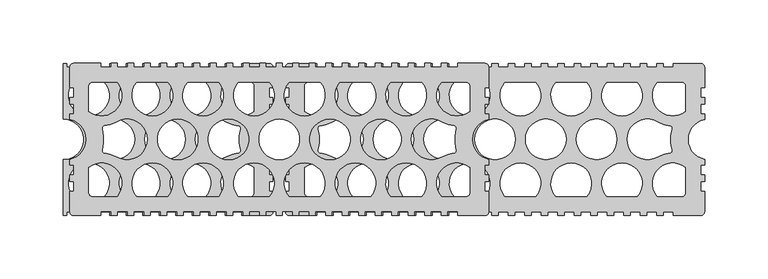
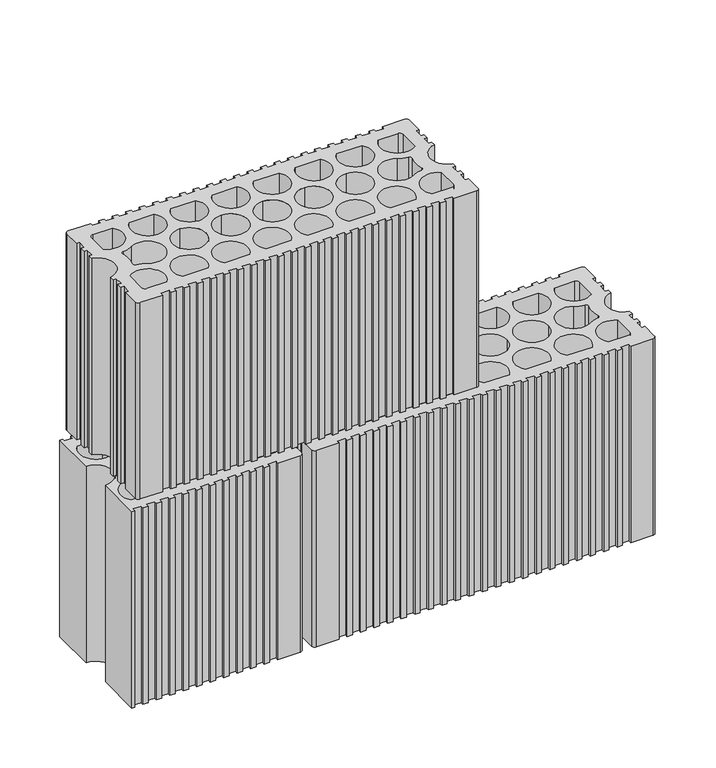
"""IFC4 building model written with IfcOpenShell, lengths in millimetres: plate geometry."""

from ifc_helpers import new_model, si_unit, point, frame, frame_2d, origin, origin_with_axes, place, context, project, spatial, polyline, circle_curve, trimmed, segment, composite_curve, outline, extrude, source, transform, mapped, element, save


def plate_2a6fec16(model_context):
    return source(origin(), model_context, "Body", "SweptSolid", [
        extrude(outline(composite_curve([segment(trimmed(circle_curve(frame_2d((-247.0615519, -57.0619101)), 2.9386225), [point((-246.9996319, -59.9998801))], [point((-249.9995197, -56.9998849))], False, "CARTESIAN"), True, "CONTINUOUS"), segment(polyline([(-249.9995197, -56.9998849), (-249.9995197, -40.9999191), (-246.9995048, -40.9999191), (-246.9995048, -32.999934), (-249.9995197, -32.999934), (-249.9995197, -28.0000909), (-246.9995048, -28.0000909), (-246.9995048, -19.9999618), (-249.9995197, -19.9999618), (-249.9995197, -15.7162058)]), True, "CONTINUOUS"), segment(trimmed(circle_curve(frame_2d((-252.9995021, 0.0)), 15.9999693), [point((-249.9995197, -15.7162058))], [point((-249.9995197, 15.7162058))], True, "CARTESIAN"), True, "CONTINUOUS"), segment(polyline([(-249.9995197, 15.7162058), (-249.9995197, 19.9999565), (-246.9995048, 19.9999565), (-246.9995048, 27.9999416), (-249.9995197, 27.9999416), (-249.9995197, 32.9999342), (-246.9995048, 32.9999342), (-246.9995048, 40.9999193), (-249.9995197, 40.9999193), (-249.9995197, 56.9998822)]), True, "CONTINUOUS"), segment(trimmed(circle_curve(frame_2d((-247.0615519, 57.0619074)), 2.9386225), [point((-249.9995197, 56.9998822))], [point((-246.9995048, 59.9998747))], False, "CARTESIAN"), True, "CONTINUOUS"), segment(polyline([(-246.9995048, 59.9998747), (-225.4995567, 59.9998747), (-225.4995567, 56.9998862), (-217.4995734, 56.9998862), (-217.4995734, 59.9998801), (-212.4995808, 59.9998801), (-212.4995808, 56.9998862), (-204.4995994, 56.9998862), (-204.4995994, 59.9998801), (-199.4996068, 59.9998801), (-199.4996068, 56.9998862), (-191.4996254, 56.9998862), (-191.4996254, 59.9998801), (-186.4996328, 59.9998801), (-186.4996328, 56.9998862), (-178.4996477, 56.9998862), (-178.4996477, 59.9998801), (-173.4996625, 59.9998801), (-173.4996625, 56.9998862), (-165.4996774, 56.9998862), (-165.4996774, 59.9998801), (-160.4996848, 59.9998801), (-160.4996848, 56.9998862), (-152.4997071, 56.9998862), (-152.4997071, 59.9998801), (-147.4997145, 59.9998801), (-147.4997145, 56.9998862), (-139.4997294, 56.9998862), (-139.4997294, 59.9998801), (-134.4997368, 59.9998801), (-134.4997368, 56.9998862), (-126.4997591, 56.9998862), (-126.4997591, 59.9998801), (-121.4997665, 59.9998801), (-121.4997665, 56.9998862), (-113.4997814, 56.9998862), (-113.4997814, 59.9998801), (-108.4997962, 59.9998801), (-108.4997962, 56.9998862), (-100.4998111, 56.9998862), (-100.4998111, 59.9998801), (-95.4998259, 59.9998801), (-95.4998259, 56.9998862), (-87.4998408, 56.9998862), (-87.4998408, 59.9998801), (-82.4998408, 59.9998801), (-82.4998408, 56.9998862), (-74.4998556, 56.9998862), (-74.4998556, 59.9998801), (-69.4998705, 59.9998801), (-69.4998705, 56.9998862), (-61.4998853, 56.9998862), (-61.4998853, 59.9998801), (-56.4999002, 59.9998801), (-56.4999002, 56.9998862), (-48.4999151, 56.9998862), (-48.4999151, 59.9998801), (-43.4999299, 59.9998801), (-43.4999299, 56.9998862), (-35.4999448, 56.9998862), (-35.4999448, 59.9998801), (-30.4999447, 59.9998801), (-30.4999447, 56.9998862), (-22.4999596, 56.9998862), (-22.4999596, 59.9998801), (-17.4999745, 59.9998801), (-17.4999745, 56.9998862), (-9.4999893, 56.9998862), (-9.4999893, 59.9998801), (-4.5000042, 59.9998801), (-4.5000042, 56.9998862), (3.4999959, 56.9998862), (3.4999959, 59.9998801), (8.499981, 59.9998801), (8.499981, 56.9998862), (16.4999512, 56.9998862), (16.4999512, 59.9998801), (21.4999364, 59.9998801), (21.4999364, 56.9998862), (29.4999364, 56.9998862), (29.4999364, 59.9998801), (34.4999216, 59.9998801), (34.4999216, 56.9998862), (42.4998918, 56.9998862), (42.4998918, 59.9998801), (47.4999067, 59.9998801), (47.4999067, 56.9998862), (55.499877, 56.9998862), (55.499877, 59.9998747), (76.999825, 59.9998747)]), True, "CONTINUOUS"), segment(trimmed(circle_curve(frame_2d((77.0618721, 57.0619074)), 2.9386225), [point((76.999825, 59.9998747))], [point((79.9998399, 56.9998822))], False, "CARTESIAN"), True, "CONTINUOUS"), segment(polyline([(79.9998399, 56.9998822), (79.9998399, 40.9999193), (76.999825, 40.9999193), (76.999825, 32.9999342), (79.9998399, 32.9999342), (79.9998399, 27.9999416), (76.999825, 27.9999416), (76.999825, 19.9999565), (79.9998399, 19.9999565), (79.9998399, 15.7162058)]), True, "CONTINUOUS"), segment(trimmed(circle_curve(frame_2d((82.9998224, 0.0)), 15.9999693), [point((79.9998399, 15.7162058))], [point((79.9998399, -15.7162058))], True, "CARTESIAN"), True, "CONTINUOUS"), segment(polyline([(79.9998399, -15.7162058), (79.9998399, -19.9999618), (76.999825, -19.9999618), (76.999825, -27.9999433), (79.9998399, -27.9999433), (79.9998399, -32.999934), (76.999825, -32.999934), (76.999825, -40.9999191), (79.9998399, -40.9999191), (79.9998399, -56.9998849)]), True, "CONTINUOUS"), segment(trimmed(circle_curve(frame_2d((77.0618721, -57.0619101)), 2.9386225), [point((79.9998399, -56.9998849))], [point((76.9999521, -59.9998801))], False, "CARTESIAN"), True, "CONTINUOUS"), segment(polyline([(76.9999521, -59.9998801), (55.499877, -59.9998801), (55.499877, -56.9998862), (47.4999067, -56.9998862), (47.4999067, -59.9998801), (42.4998918, -59.9998801), (42.4998918, -56.9998862), (34.4999216, -56.9998862), (34.4999216, -59.9998801), (29.4999364, -59.9998801), (29.4999364, -56.9998862), (21.4999364, -56.9998862), (21.4999364, -59.9998801), (16.4999512, -59.9998801), (16.4999512, -56.9998862), (8.499981, -56.9998862), (8.499981, -59.9998801), (3.4999959, -59.9998801), (3.4999959, -56.9998862), (-4.5000042, -56.9998862), (-4.5000042, -59.9998801), (-9.4999893, -59.9998801), (-9.4999893, -56.9998862), (-17.4999745, -56.9998862), (-17.4999745, -59.9998801), (-22.4999596, -59.9998801), (-22.4999596, -56.9998862), (-30.4999447, -56.9998862), (-30.4999447, -59.9998801), (-35.4999448, -59.9998801), (-35.4999448, -56.9998862), (-43.4999299, -56.9998862), (-43.4999299, -59.9998801), (-48.4999151, -59.9998801), (-48.4999151, -56.9998862), (-56.4999002, -56.9998862), (-56.4999002, -59.9998801), (-61.4998853, -59.9998801), (-61.4998853, -56.9998862), (-69.4998705, -56.9998862), (-69.4998705, -59.9998801), (-74.4998556, -59.9998801), (-74.4998556, -56.9998862), (-82.4998408, -56.9998862), (-82.4998408, -59.9998801), (-87.4998408, -59.9998801), (-87.4998408, -56.9998862), (-95.4998259, -56.9998862), (-95.4998259, -59.9998801), (-100.4998111, -59.9998801), (-100.4998111, -56.9998862), (-108.4997962, -56.9998862), (-108.4997962, -59.9998801), (-113.4997814, -59.9998801), (-113.4997814, -56.9998862), (-121.4997665, -56.9998862), (-121.4997665, -59.9998801), (-126.4997591, -59.9998801), (-126.4997591, -56.9998862), (-134.4997368, -56.9998862), (-134.4997368, -59.9998801), (-139.4997294, -59.9998801), (-139.4997294, -56.9998862), (-147.4997145, -56.9998862), (-147.4997145, -59.9998801), (-152.4997071, -59.9998801), (-152.4997071, -56.9998862), (-160.4996848, -56.9998862), (-160.4996848, -59.9998801), (-165.4996774, -59.9998801), (-165.4996774, -56.9998862), (-173.4996625, -56.9998862), (-173.4996625, -59.9998801), (-178.4996477, -59.9998801), (-178.4996477, -56.9998862), (-186.4996328, -56.9998862), (-186.4996328, -59.9998801), (-191.4996254, -59.9998801), (-191.4996254, -56.9998862), (-199.4996068, -56.9998862), (-199.4996068, -59.9998801), (-204.4995994, -59.9998801), (-204.4995994, -56.9998862), (-212.4995808, -56.9998862), (-212.4995808, -59.9998801), (-217.4995734, -59.9998801), (-217.4995734, -56.9998862), (-225.4995567, -56.9998862), (-225.4995567, -59.9998801), (-246.9996319, -59.9998801)]), True, "CONTINUOUS")], self_intersect=False), holes=[composite_curve([segment(trimmed(circle_curve(frame_2d((-222.2301823, -8.7889102)), 1.999996), [point((-224.1532647, -8.2396034))], [point((-222.4432111, -10.7775285))], True, "CARTESIAN"), True, "CONTINUOUS"), segment(trimmed(circle_curve(frame_2d((-224.9995571, -34.6409475)), 23.9999515), [point((-222.4432111, -10.7775285))], [point((-212.9995813, -13.8563798))], False, "CARTESIAN"), True, "CONTINUOUS"), segment(trimmed(circle_curve(frame_2d((-204.9995975, -1.4e-06)), 15.9999677), [point((-212.9995813, -13.8563798))], [point((-212.9995813, 13.8563771))], True, "CARTESIAN"), True, "CONTINUOUS"), segment(trimmed(circle_curve(frame_2d((-224.9995571, 34.6409448)), 23.9999515), [point((-212.9995813, 13.8563771))], [point((-222.4432111, 10.7775258))], False, "CARTESIAN"), True, "CONTINUOUS"), segment(trimmed(circle_curve(frame_2d((-222.2301823, 8.7889075)), 1.999996), [point((-222.4432111, 10.7775258))], [point((-224.1532647, 8.2396007))], True, "CARTESIAN"), True, "CONTINUOUS"), segment(trimmed(circle_curve(frame_2d((-252.9995005, -1.4e-06)), 29.9999394), [point((-224.1532647, 8.2396007))], [point((-224.1532647, -8.2396034))], False, "CARTESIAN"), True, "CONTINUOUS")], self_intersect=False), composite_curve([segment(polyline([(-212.8056706, 44.9999081), (-231.999544, 44.9999081)]), True, "CONTINUOUS"), segment(trimmed(circle_curve(frame_2d((-231.999544, 41.9999176)), 2.9999904), [point((-231.999544, 44.9999081))], [point((-234.9995345, 41.9999176))], True, "CARTESIAN"), True, "CONTINUOUS"), segment(polyline([(-234.9995345, 41.9999176), (-234.9995345, 22.1509747)]), True, "CONTINUOUS"), segment(trimmed(circle_curve(frame_2d((-224.9988032, 34.6402144)), 15.9998667), [point((-234.9995345, 22.1509747))], [point((-212.8056706, 44.9999081))], True, "CARTESIAN"), True, "CONTINUOUS")], self_intersect=False), composite_curve([segment(polyline([(-234.9995345, -22.1509774), (-234.9995345, -41.9999203)]), True, "CONTINUOUS"), segment(trimmed(circle_curve(frame_2d((-231.999544, -41.9999203)), 2.9999904), [point((-234.9995345, -41.9999203))], [point((-231.999544, -44.9999108))], True, "CARTESIAN"), True, "CONTINUOUS"), segment(polyline([(-231.999544, -44.9999108), (-212.8056706, -44.9999108)]), True, "CONTINUOUS"), segment(trimmed(circle_curve(frame_2d((-224.9988032, -34.6402171)), 15.9998667), [point((-212.8056706, -44.9999108))], [point((-234.9995345, -22.1509774))], True, "CARTESIAN"), True, "CONTINUOUS")], self_intersect=False), composite_curve([segment(trimmed(circle_curve(frame_2d((-184.9996247, -34.6228668)), 16.0116774), [point((-172.8057421, -44.9999108))], [point((-197.1935073, -44.9999108))], True, "CARTESIAN"), True, "CONTINUOUS"), segment(polyline([(-197.1935073, -44.9999108), (-172.8057421, -44.9999108)]), True, "CONTINUOUS")], self_intersect=False), composite_curve([segment(trimmed(circle_curve(frame_2d((-144.9997088, -34.6228668)), 16.0116774), [point((-132.8058262, -44.9999108))], [point((-157.1935914, -44.9999108))], True, "CARTESIAN"), True, "CONTINUOUS"), segment(polyline([(-157.1935914, -44.9999108), (-132.8058262, -44.9999108)]), True, "CONTINUOUS")], self_intersect=False), composite_curve([segment(trimmed(circle_curve(frame_2d((-104.9997929, -34.6228668)), 16.0116774), [point((-92.8059103, -44.9999108))], [point((-117.1936755, -44.9999108))], True, "CARTESIAN"), True, "CONTINUOUS"), segment(polyline([(-117.1936755, -44.9999108), (-92.8059103, -44.9999108)]), True, "CONTINUOUS")], self_intersect=False), composite_curve([segment(trimmed(circle_curve(frame_2d((-64.999877, -34.6228668)), 16.0116774), [point((-52.8059944, -44.9999108))], [point((-77.1937596, -44.9999108))], True, "CARTESIAN"), True, "CONTINUOUS"), segment(polyline([(-77.1937596, -44.9999108), (-52.8059944, -44.9999108)]), True, "CONTINUOUS")], self_intersect=False), composite_curve([segment(trimmed(circle_curve(frame_2d((-24.9999611, -34.6228668)), 16.0116774), [point((-12.8060785, -44.9999108))], [point((-37.1938437, -44.9999108))], True, "CARTESIAN"), True, "CONTINUOUS"), segment(polyline([(-37.1938437, -44.9999108), (-12.8060785, -44.9999108)]), True, "CONTINUOUS")], self_intersect=False), composite_curve([segment(trimmed(circle_curve(frame_2d((14.9999548, -34.6228668)), 16.0116774), [point((27.1938374, -44.9999108))], [point((2.8060722, -44.9999108))], True, "CARTESIAN"), True, "CONTINUOUS"), segment(polyline([(2.8060722, -44.9999108), (27.1938374, -44.9999108)]), True, "CONTINUOUS")], self_intersect=False), composite_curve([segment(trimmed(circle_curve(frame_2d((-164.9996783, -1.4e-06)), 15.9999677), [point((-164.9996783, -15.999969))], [point((-164.9996783, 15.9999663))], True, "CARTESIAN"), True, "CONTINUOUS"), segment(trimmed(circle_curve(frame_2d((-164.9996783, -1.4e-06)), 15.9999677), [point((-164.9996783, 15.9999663))], [point((-164.9996783, -15.999969))], True, "CARTESIAN"), True, "CONTINUOUS")], self_intersect=False), composite_curve([segment(trimmed(circle_curve(frame_2d((-124.9997591, -1.4e-06)), 15.9999677), [point((-124.9997591, -15.999969))], [point((-124.9997591, 15.9999663))], True, "CARTESIAN"), True, "CONTINUOUS"), segment(trimmed(circle_curve(frame_2d((-124.9997591, -1.4e-06)), 15.9999677), [point((-124.9997591, 15.9999663))], [point((-124.9997591, -15.999969))], True, "CARTESIAN"), True, "CONTINUOUS")], self_intersect=False), composite_curve([segment(trimmed(circle_curve(frame_2d((-84.9998399, -1.4e-06)), 15.9999677), [point((-84.9998399, -15.999969))], [point((-84.9998399, 15.9999663))], True, "CARTESIAN"), True, "CONTINUOUS"), segment(trimmed(circle_curve(frame_2d((-84.9998399, -1.4e-06)), 15.9999677), [point((-84.9998399, 15.9999663))], [point((-84.9998399, -15.999969))], True, "CARTESIAN"), True, "CONTINUOUS")], self_intersect=False), composite_curve([segment(trimmed(circle_curve(frame_2d((-44.9999207, -1.4e-06)), 15.9999677), [point((-44.9999207, -15.999969))], [point((-44.9999207, 15.9999663))], True, "CARTESIAN"), True, "CONTINUOUS"), segment(trimmed(circle_curve(frame_2d((-44.9999207, -1.4e-06)), 15.9999677), [point((-44.9999207, 15.9999663))], [point((-44.9999207, -15.999969))], True, "CARTESIAN"), True, "CONTINUOUS")], self_intersect=False), composite_curve([segment(trimmed(circle_curve(frame_2d((-5.0000015, -1.4e-06)), 15.9999677), [point((-5.0000015, -15.999969))], [point((-5.0000015, 15.9999663))], True, "CARTESIAN"), True, "CONTINUOUS"), segment(trimmed(circle_curve(frame_2d((-5.0000015, -1.4e-06)), 15.9999677), [point((-5.0000015, 15.9999663))], [point((-5.0000015, -15.999969))], True, "CARTESIAN"), True, "CONTINUOUS")], self_intersect=False), composite_curve([segment(trimmed(circle_curve(frame_2d((14.9999548, 34.6228668)), 16.0116774), [point((2.8060722, 44.9999108))], [point((27.1938374, 44.9999108))], True, "CARTESIAN"), True, "CONTINUOUS"), segment(polyline([(27.1938374, 44.9999108), (2.8060722, 44.9999108)]), True, "CONTINUOUS")], self_intersect=False), composite_curve([segment(polyline([(-12.8060785, 44.9999108), (-37.1938437, 44.9999108)]), True, "CONTINUOUS"), segment(trimmed(circle_curve(frame_2d((-24.9999611, 34.6228668)), 16.0116774), [point((-37.1938437, 44.9999108))], [point((-12.8060785, 44.9999108))], True, "CARTESIAN"), True, "CONTINUOUS")], self_intersect=False), composite_curve([segment(trimmed(circle_curve(frame_2d((-64.999877, 34.6228668)), 16.0116774), [point((-77.1937596, 44.9999108))], [point((-52.8059944, 44.9999108))], True, "CARTESIAN"), True, "CONTINUOUS"), segment(polyline([(-52.8059944, 44.9999108), (-77.1937596, 44.9999108)]), True, "CONTINUOUS")], self_intersect=False), composite_curve([segment(polyline([(-92.8059103, 44.9999108), (-117.1936755, 44.9999108)]), True, "CONTINUOUS"), segment(trimmed(circle_curve(frame_2d((-104.9997929, 34.6228668)), 16.0116774), [point((-117.1936755, 44.9999108))], [point((-92.8059103, 44.9999108))], True, "CARTESIAN"), True, "CONTINUOUS")], self_intersect=False), composite_curve([segment(polyline([(-132.8058262, 44.9999108), (-157.1935914, 44.9999108)]), True, "CONTINUOUS"), segment(trimmed(circle_curve(frame_2d((-144.9997088, 34.6228668)), 16.0116774), [point((-157.1935914, 44.9999108))], [point((-132.8058262, 44.9999108))], True, "CARTESIAN"), True, "CONTINUOUS")], self_intersect=False), composite_curve([segment(polyline([(-172.8057421, 44.9999108), (-197.1935073, 44.9999108)]), True, "CONTINUOUS"), segment(trimmed(circle_curve(frame_2d((-184.9996247, 34.6228668)), 16.0116774), [point((-197.1935073, 44.9999108))], [point((-172.8057421, 44.9999108))], True, "CARTESIAN"), True, "CONTINUOUS")], self_intersect=False), composite_curve([segment(trimmed(circle_curve(frame_2d((82.9998207, -1.4e-06)), 29.9999394), [point((54.1535849, -8.2396034))], [point((54.1535849, 8.2396007))], False, "CARTESIAN"), True, "CONTINUOUS"), segment(trimmed(circle_curve(frame_2d((52.2305025, 8.7889075)), 1.999996), [point((54.1535849, 8.2396007))], [point((52.4435313, 10.7775258))], True, "CARTESIAN"), True, "CONTINUOUS"), segment(trimmed(circle_curve(frame_2d((54.9998773, 34.6409448)), 23.9999515), [point((52.4435313, 10.7775258))], [point((42.9999015, 13.8563771))], False, "CARTESIAN"), True, "CONTINUOUS"), segment(trimmed(circle_curve(frame_2d((34.9999177, -1.4e-06)), 15.9999677), [point((42.9999015, 13.8563771))], [point((42.9999015, -13.8563798))], True, "CARTESIAN"), True, "CONTINUOUS"), segment(trimmed(circle_curve(frame_2d((54.9998773, -34.6409475)), 23.9999515), [point((42.9999015, -13.8563798))], [point((52.4435313, -10.7775285))], False, "CARTESIAN"), True, "CONTINUOUS"), segment(trimmed(circle_curve(frame_2d((52.2305025, -8.7889102)), 1.999996), [point((52.4435313, -10.7775285))], [point((54.1535849, -8.2396034))], True, "CARTESIAN"), True, "CONTINUOUS")], self_intersect=False), composite_curve([segment(trimmed(circle_curve(frame_2d((54.9991235, 34.6402144)), 15.9998667), [point((42.8059908, 44.9999081))], [point((64.9998547, 22.1509747))], True, "CARTESIAN"), True, "CONTINUOUS"), segment(polyline([(64.9998547, 22.1509747), (64.9998547, 41.9999176)]), True, "CONTINUOUS"), segment(trimmed(circle_curve(frame_2d((61.9998643, 41.9999176)), 2.9999904), [point((64.9998547, 41.9999176))], [point((61.9998643, 44.9999081))], True, "CARTESIAN"), True, "CONTINUOUS"), segment(polyline([(61.9998643, 44.9999081), (42.8059908, 44.9999081)]), True, "CONTINUOUS")], self_intersect=False), composite_curve([segment(trimmed(circle_curve(frame_2d((54.9991235, -34.6402171)), 15.9998667), [point((64.9998547, -22.1509774))], [point((42.8059908, -44.9999108))], True, "CARTESIAN"), True, "CONTINUOUS"), segment(polyline([(42.8059908, -44.9999108), (61.9998643, -44.9999108)]), True, "CONTINUOUS"), segment(trimmed(circle_curve(frame_2d((61.9998643, -41.9999203)), 2.9999904), [point((61.9998643, -44.9999108))], [point((64.9998547, -41.9999203))], True, "CARTESIAN"), True, "CONTINUOUS"), segment(polyline([(64.9998547, -41.9999203), (64.9998547, -22.1509774)]), True, "CONTINUOUS")], self_intersect=False)]), frame((0.0, 0.0, 210.0), z_axis=(0.0, 0.0, 1.0), x_axis=(1.0, 0.0, 0.0)), (0.0, 0.0, 1.0), 200.0),
        extrude(outline(composite_curve([segment(polyline([(-92.9997277, -59.9998788), (-114.4998028, -59.9998788), (-114.4998028, -56.9998848), (-122.499773, -56.9998848), (-122.499773, -59.9998788), (-127.499788, -59.9998788), (-127.499788, -56.9998848), (-135.4997582, -56.9998848), (-135.4997582, -59.9998788), (-140.4997434, -59.9998788), (-140.4997434, -56.9998848), (-148.4997434, -56.9998848), (-148.4997434, -59.9998788), (-153.4997285, -59.9998788), (-153.4997285, -56.9998848), (-161.4996988, -56.9998848), (-161.4996988, -59.9998788), (-166.4996839, -59.9998788), (-166.4996839, -56.9998848), (-174.499684, -56.9998848), (-174.499684, -59.9998788), (-179.4996691, -59.9998788), (-179.4996691, -56.9998848), (-187.4996542, -56.9998848), (-187.4996542, -59.9998788), (-192.4996394, -59.9998788), (-192.4996394, -56.9998848), (-200.4996245, -56.9998848), (-200.4996245, -59.9998788), (-205.4996246, -59.9998788), (-205.4996246, -56.9998848), (-213.4996097, -56.9998848), (-213.4996097, -59.9998788), (-218.4995948, -59.9998788), (-218.4995948, -56.9998848), (-226.49958, -56.9998848), (-226.49958, -59.9998788), (-231.4995651, -59.9998788), (-231.4995651, -56.9998848), (-239.4995503, -56.9998848), (-239.4995503, -59.9998788), (-244.4995354, -59.9998788), (-244.4995354, -56.9998848), (-252.4995205, -56.9998848), (-252.4995205, -59.9998788), (-254.9995197, -59.9998788), (-254.9995197, -15.9999677)]), True, "CONTINUOUS"), segment(trimmed(circle_curve(frame_2d((-254.9995197, 0.0)), 15.9999677), [point((-254.9995197, -15.9999677))], [point((-254.9995197, 15.9999677))], True, "CARTESIAN"), True, "CONTINUOUS"), segment(polyline([(-254.9995197, 15.9999677), (-254.9995197, 59.9998815), (-252.4995205, 59.9998815), (-252.4995205, 56.9998875), (-244.4995354, 56.9998875), (-244.4995354, 59.9998815), (-239.4995503, 59.9998815), (-239.4995503, 56.9998875), (-231.4995651, 56.9998875), (-231.4995651, 59.9998815), (-226.49958, 59.9998815), (-226.49958, 56.9998875), (-218.4995948, 56.9998875), (-218.4995948, 59.9998815), (-213.4996097, 59.9998815), (-213.4996097, 56.9998875), (-205.4996246, 56.9998875), (-205.4996246, 59.9998815), (-200.4996245, 59.9998815), (-200.4996245, 56.9998875), (-192.4996394, 56.9998875), (-192.4996394, 59.9998815), (-187.4996542, 59.9998815), (-187.4996542, 56.9998875), (-179.4996691, 56.9998875), (-179.4996691, 59.9998815), (-174.499684, 59.9998815), (-174.499684, 56.9998875), (-166.4996839, 56.9998875), (-166.4996839, 59.9998815), (-161.4996988, 59.9998815), (-161.4996988, 56.9998875), (-153.4997285, 56.9998875), (-153.4997285, 59.9998815), (-148.4997434, 59.9998815), (-148.4997434, 56.9998875), (-140.4997434, 56.9998875), (-140.4997434, 59.9998815), (-135.4997582, 59.9998815), (-135.4997582, 56.9998875), (-127.499788, 56.9998875), (-127.499788, 59.9998815), (-122.499773, 59.9998815), (-122.499773, 56.9998875), (-114.4998028, 56.9998875), (-114.4998028, 59.9998761), (-92.9998548, 59.9998761)]), True, "CONTINUOUS"), segment(trimmed(circle_curve(frame_2d((-92.9378077, 57.0619088)), 2.9386225), [point((-92.9998548, 59.9998761))], [point((-89.9998399, 56.9998835))], False, "CARTESIAN"), True, "CONTINUOUS"), segment(polyline([(-89.9998399, 56.9998835), (-89.9998399, 40.9999207), (-92.9998548, 40.9999207), (-92.9998548, 32.9999355), (-89.9998399, 32.9999355), (-89.9998399, 27.999943), (-92.9998548, 27.999943), (-92.9998548, 19.9999578), (-89.9998399, 19.9999578), (-89.9998399, 15.7162071)]), True, "CONTINUOUS"), segment(trimmed(circle_curve(frame_2d((-86.9998574, 1.4e-06)), 15.9999693), [point((-89.9998399, 15.7162071))], [point((-89.9998399, -15.7162044))], True, "CARTESIAN"), True, "CONTINUOUS"), segment(polyline([(-89.9998399, -15.7162044), (-89.9998399, -19.9999605), (-92.9998548, -19.9999605), (-92.9998548, -27.9999419), (-89.9998399, -27.9999419), (-89.9998399, -32.9999326), (-92.9998548, -32.9999326), (-92.9998548, -40.9999178), (-89.9998399, -40.9999178), (-89.9998399, -56.9998835)]), True, "CONTINUOUS"), segment(trimmed(circle_curve(frame_2d((-92.9378077, -57.0619088)), 2.9386225), [point((-89.9998399, -56.9998835))], [point((-92.9997277, -59.9998788))], False, "CARTESIAN"), True, "CONTINUOUS")], self_intersect=False), holes=[composite_curve([segment(trimmed(circle_curve(frame_2d((-234.9995568, -34.6228654)), 16.0116774), [point((-222.8056742, -44.9999094))], [point((-247.1934394, -44.9999094))], True, "CARTESIAN"), True, "CONTINUOUS"), segment(polyline([(-247.1934394, -44.9999094), (-222.8056742, -44.9999094)]), True, "CONTINUOUS")], self_intersect=False), composite_curve([segment(trimmed(circle_curve(frame_2d((-194.9996409, -34.6228654)), 16.0116774), [point((-182.8057583, -44.9999094))], [point((-207.1935235, -44.9999094))], True, "CARTESIAN"), True, "CONTINUOUS"), segment(polyline([(-207.1935235, -44.9999094), (-182.8057583, -44.9999094)]), True, "CONTINUOUS")], self_intersect=False), composite_curve([segment(trimmed(circle_curve(frame_2d((-154.999725, -34.6228654)), 16.0116774), [point((-142.8058424, -44.9999094))], [point((-167.1936076, -44.9999094))], True, "CARTESIAN"), True, "CONTINUOUS"), segment(polyline([(-167.1936076, -44.9999094), (-142.8058424, -44.9999094)]), True, "CONTINUOUS")], self_intersect=False), composite_curve([segment(trimmed(circle_curve(frame_2d((-214.9996005, 0.0)), 15.9999677), [point((-230.9995682, 0.0))], [point((-198.9996328, 0.0))], True, "CARTESIAN"), True, "CONTINUOUS"), segment(trimmed(circle_curve(frame_2d((-214.9996005, 0.0)), 15.9999677), [point((-198.9996328, 0.0))], [point((-230.9995682, 0.0))], True, "CARTESIAN"), True, "CONTINUOUS")], self_intersect=False), composite_curve([segment(trimmed(circle_curve(frame_2d((-174.9996813, 0.0)), 15.9999677), [point((-190.999649, 0.0))], [point((-158.9997136, 0.0))], True, "CARTESIAN"), True, "CONTINUOUS"), segment(trimmed(circle_curve(frame_2d((-174.9996813, 0.0)), 15.9999677), [point((-158.9997136, 0.0))], [point((-190.999649, 0.0))], True, "CARTESIAN"), True, "CONTINUOUS")], self_intersect=False), composite_curve([segment(trimmed(circle_curve(frame_2d((-154.999725, 34.6228681)), 16.0116774), [point((-167.1936076, 44.9999121))], [point((-142.8058424, 44.9999121))], True, "CARTESIAN"), True, "CONTINUOUS"), segment(polyline([(-142.8058424, 44.9999121), (-167.1936076, 44.9999121)]), True, "CONTINUOUS")], self_intersect=False), composite_curve([segment(polyline([(-182.8057583, 44.9999121), (-207.1935235, 44.9999121)]), True, "CONTINUOUS"), segment(trimmed(circle_curve(frame_2d((-194.9996409, 34.6228681)), 16.0116774), [point((-207.1935235, 44.9999121))], [point((-182.8057583, 44.9999121))], True, "CARTESIAN"), True, "CONTINUOUS")], self_intersect=False), composite_curve([segment(trimmed(circle_curve(frame_2d((-234.9995568, 34.6228681)), 16.0116774), [point((-247.1934394, 44.9999121))], [point((-222.8056742, 44.9999121))], True, "CARTESIAN"), True, "CONTINUOUS"), segment(polyline([(-222.8056742, 44.9999121), (-247.1934394, 44.9999121)]), True, "CONTINUOUS")], self_intersect=False), composite_curve([segment(trimmed(circle_curve(frame_2d((-86.9998591, 0.0)), 29.9999394), [point((-115.8460949, -8.2396021))], [point((-115.8460949, 8.2396021))], False, "CARTESIAN"), True, "CONTINUOUS"), segment(trimmed(circle_curve(frame_2d((-117.7691773, 8.7889089)), 1.999996), [point((-115.8460949, 8.2396021))], [point((-117.5561484, 10.7775271))], True, "CARTESIAN"), True, "CONTINUOUS"), segment(trimmed(circle_curve(frame_2d((-114.9998025, 34.6409462)), 23.9999515), [point((-117.5561484, 10.7775271))], [point((-126.9997783, 13.8563785))], False, "CARTESIAN"), True, "CONTINUOUS"), segment(trimmed(circle_curve(frame_2d((-134.9997621, 0.0)), 15.9999677), [point((-126.9997783, 13.8563785))], [point((-126.9997783, -13.8563785))], True, "CARTESIAN"), True, "CONTINUOUS"), segment(trimmed(circle_curve(frame_2d((-114.9998025, -34.6409462)), 23.9999515), [point((-126.9997783, -13.8563785))], [point((-117.5561484, -10.7775271))], False, "CARTESIAN"), True, "CONTINUOUS"), segment(trimmed(circle_curve(frame_2d((-117.7691773, -8.7889089)), 1.999996), [point((-117.5561484, -10.7775271))], [point((-115.8460949, -8.2396021))], True, "CARTESIAN"), True, "CONTINUOUS")], self_intersect=False), composite_curve([segment(trimmed(circle_curve(frame_2d((-115.0005563, 34.6402158)), 15.9998667), [point((-127.1936889, 44.9999094))], [point((-104.9998251, 22.150976))], True, "CARTESIAN"), True, "CONTINUOUS"), segment(polyline([(-104.9998251, 22.150976), (-104.9998251, 41.999919)]), True, "CONTINUOUS"), segment(trimmed(circle_curve(frame_2d((-107.9998155, 41.999919)), 2.9999904), [point((-104.9998251, 41.999919))], [point((-107.9998155, 44.9999094))], True, "CARTESIAN"), True, "CONTINUOUS"), segment(polyline([(-107.9998155, 44.9999094), (-127.1936889, 44.9999094)]), True, "CONTINUOUS")], self_intersect=False), composite_curve([segment(trimmed(circle_curve(frame_2d((-115.0005563, -34.6402158)), 15.9998667), [point((-104.9998251, -22.150976))], [point((-127.1936889, -44.9999094))], True, "CARTESIAN"), True, "CONTINUOUS"), segment(polyline([(-127.1936889, -44.9999094), (-107.9998155, -44.9999094)]), True, "CONTINUOUS"), segment(trimmed(circle_curve(frame_2d((-107.9998155, -41.999919)), 2.9999904), [point((-107.9998155, -44.9999094))], [point((-104.9998251, -41.999919))], True, "CARTESIAN"), True, "CONTINUOUS"), segment(polyline([(-104.9998251, -41.999919), (-104.9998251, -22.150976)]), True, "CONTINUOUS")], self_intersect=False)]), origin_with_axes(), (0.0, 0.0, 1.0), 200.0),
        extrude(outline(composite_curve([segment(trimmed(circle_curve(frame_2d((-77.0618721, -57.0619088)), 2.9386225), [point((-76.9999521, -59.9998788))], [point((-79.9998399, -56.9998835))], False, "CARTESIAN"), True, "CONTINUOUS"), segment(polyline([(-79.9998399, -56.9998835), (-79.9998399, -40.9999178), (-76.999825, -40.9999178), (-76.999825, -32.9999326), (-79.9998399, -32.9999326), (-79.9998399, -28.0000895), (-76.999825, -28.0000895), (-76.999825, -19.9999605), (-79.9998399, -19.9999605), (-79.9998399, -15.7162044)]), True, "CONTINUOUS"), segment(trimmed(circle_curve(frame_2d((-82.9998224, 1.4e-06)), 15.9999693), [point((-79.9998399, -15.7162044))], [point((-79.9998399, 15.7162071))], True, "CARTESIAN"), True, "CONTINUOUS"), segment(polyline([(-79.9998399, 15.7162071), (-79.9998399, 19.9999578), (-76.999825, 19.9999578), (-76.999825, 27.999943), (-79.9998399, 27.999943), (-79.9998399, 32.9999355), (-76.999825, 32.9999355), (-76.999825, 40.9999207), (-79.9998399, 40.9999207), (-79.9998399, 56.9998835)]), True, "CONTINUOUS"), segment(trimmed(circle_curve(frame_2d((-77.0618721, 57.0619088)), 2.9386225), [point((-79.9998399, 56.9998835))], [point((-76.999825, 59.9998761))], False, "CARTESIAN"), True, "CONTINUOUS"), segment(polyline([(-76.999825, 59.9998761), (-55.4998769, 59.9998761), (-55.4998769, 56.9998875), (-47.4998936, 56.9998875), (-47.4998936, 59.9998815), (-42.499901, 59.9998815), (-42.499901, 56.9998875), (-34.4999196, 56.9998875), (-34.4999196, 59.9998815), (-29.499927, 59.9998815), (-29.499927, 56.9998875), (-21.4999456, 56.9998875), (-21.4999456, 59.9998815), (-16.499953, 59.9998815), (-16.499953, 56.9998875), (-8.4999679, 56.9998875), (-8.4999679, 59.9998815), (-3.4999828, 59.9998815), (-3.4999828, 56.9998875), (4.5000024, 56.9998875), (4.5000024, 59.9998815), (9.499995, 59.9998815), (9.499995, 56.9998875), (17.4999727, 56.9998875), (17.4999727, 59.9998815), (22.4999653, 59.9998815), (22.4999653, 56.9998875), (30.4999504, 56.9998875), (30.4999504, 59.9998815), (35.499943, 59.9998815), (35.499943, 56.9998875), (43.4999207, 56.9998875), (43.4999207, 59.9998815), (48.4999133, 59.9998815), (48.4999133, 56.9998875), (56.4998984, 56.9998875), (56.4998984, 59.9998815), (61.4998836, 59.9998815), (61.4998836, 56.9998875), (69.4998687, 56.9998875), (69.4998687, 59.9998815), (74.4998538, 59.9998815), (74.4998538, 56.9998875), (82.499839, 56.9998875), (82.499839, 59.9998815), (87.499839, 59.9998815), (87.499839, 56.9998875), (95.4998242, 56.9998875), (95.4998242, 59.9998815), (100.4998093, 59.9998815), (100.4998093, 56.9998875), (108.4997944, 56.9998875), (108.4997944, 59.9998815), (113.4997796, 59.9998815), (113.4997796, 56.9998875), (121.4997647, 56.9998875), (121.4997647, 59.9998815), (126.4997499, 59.9998815), (126.4997499, 56.9998875), (134.499735, 56.9998875), (134.499735, 59.9998815), (139.499735, 59.9998815), (139.499735, 56.9998875), (147.4997202, 56.9998875), (147.4997202, 59.9998815), (152.4997053, 59.9998815), (152.4997053, 56.9998875), (160.4996905, 56.9998875), (160.4996905, 59.9998815), (165.4996756, 59.9998815), (165.4996756, 56.9998875), (173.4996756, 56.9998875), (173.4996756, 59.9998815), (178.4996608, 59.9998815), (178.4996608, 56.9998875), (186.499631, 56.9998875), (186.499631, 59.9998815), (191.4996162, 59.9998815), (191.4996162, 56.9998875), (199.4996162, 56.9998875), (199.4996162, 59.9998815), (204.4996013, 59.9998815), (204.4996013, 56.9998875), (212.4995716, 56.9998875), (212.4995716, 59.9998815), (217.4995865, 59.9998815), (217.4995865, 56.9998875), (225.4995568, 56.9998875), (225.4995568, 59.9998761), (246.9995048, 59.9998761)]), True, "CONTINUOUS"), segment(trimmed(circle_curve(frame_2d((247.0615519, 57.0619088)), 2.9386225), [point((246.9995048, 59.9998761))], [point((249.9995197, 56.9998835))], False, "CARTESIAN"), True, "CONTINUOUS"), segment(polyline([(249.9995197, 56.9998835), (249.9995197, 40.9999207), (246.9995048, 40.9999207), (246.9995048, 32.9999355), (249.9995197, 32.9999355), (249.9995197, 27.999943), (246.9995048, 27.999943), (246.9995048, 19.9999578), (249.9995197, 19.9999578), (249.9995197, 15.7162071)]), True, "CONTINUOUS"), segment(trimmed(circle_curve(frame_2d((252.9995021, 1.4e-06)), 15.9999693), [point((249.9995197, 15.7162071))], [point((249.9995197, -15.7162044))], True, "CARTESIAN"), True, "CONTINUOUS"), segment(polyline([(249.9995197, -15.7162044), (249.9995197, -19.9999605), (246.9995048, -19.9999605), (246.9995048, -27.9999419), (249.9995197, -27.9999419), (249.9995197, -32.9999326), (246.9995048, -32.9999326), (246.9995048, -40.9999178), (249.9995197, -40.9999178), (249.9995197, -56.9998835)]), True, "CONTINUOUS"), segment(trimmed(circle_curve(frame_2d((247.0615519, -57.0619088)), 2.9386225), [point((249.9995197, -56.9998835))], [point((246.9996319, -59.9998788))], False, "CARTESIAN"), True, "CONTINUOUS"), segment(polyline([(246.9996319, -59.9998788), (225.4995568, -59.9998788), (225.4995568, -56.9998848), (217.4995865, -56.9998848), (217.4995865, -59.9998788), (212.4995716, -59.9998788), (212.4995716, -56.9998848), (204.4996013, -56.9998848), (204.4996013, -59.9998788), (199.4996162, -59.9998788), (199.4996162, -56.9998848), (191.4996162, -56.9998848), (191.4996162, -59.9998788), (186.499631, -59.9998788), (186.499631, -56.9998848), (178.4996608, -56.9998848), (178.4996608, -59.9998788), (173.4996756, -59.9998788), (173.4996756, -56.9998848), (165.4996756, -56.9998848), (165.4996756, -59.9998788), (160.4996905, -59.9998788), (160.4996905, -56.9998848), (152.4997053, -56.9998848), (152.4997053, -59.9998788), (147.4997202, -59.9998788), (147.4997202, -56.9998848), (139.499735, -56.9998848), (139.499735, -59.9998788), (134.499735, -59.9998788), (134.499735, -56.9998848), (126.4997499, -56.9998848), (126.4997499, -59.9998788), (121.4997647, -59.9998788), (121.4997647, -56.9998848), (113.4997796, -56.9998848), (113.4997796, -59.9998788), (108.4997944, -59.9998788), (108.4997944, -56.9998848), (100.4998093, -56.9998848), (100.4998093, -59.9998788), (95.4998242, -59.9998788), (95.4998242, -56.9998848), (87.499839, -56.9998848), (87.499839, -59.9998788), (82.499839, -59.9998788), (82.499839, -56.9998848), (74.4998538, -56.9998848), (74.4998538, -59.9998788), (69.4998687, -59.9998788), (69.4998687, -56.9998848), (61.4998836, -56.9998848), (61.4998836, -59.9998788), (56.4998984, -59.9998788), (56.4998984, -56.9998848), (48.4999133, -56.9998848), (48.4999133, -59.9998788), (43.4999207, -59.9998788), (43.4999207, -56.9998848), (35.499943, -56.9998848), (35.499943, -59.9998788), (30.4999504, -59.9998788), (30.4999504, -56.9998848), (22.4999653, -56.9998848), (22.4999653, -59.9998788), (17.4999727, -59.9998788), (17.4999727, -56.9998848), (9.499995, -56.9998848), (9.499995, -59.9998788), (4.5000024, -59.9998788), (4.5000024, -56.9998848), (-3.4999828, -56.9998848), (-3.4999828, -59.9998788), (-8.4999679, -59.9998788), (-8.4999679, -56.9998848), (-16.499953, -56.9998848), (-16.499953, -59.9998788), (-21.4999456, -59.9998788), (-21.4999456, -56.9998848), (-29.499927, -56.9998848), (-29.499927, -59.9998788), (-34.4999196, -59.9998788), (-34.4999196, -56.9998848), (-42.499901, -56.9998848), (-42.499901, -59.9998788), (-47.4998936, -59.9998788), (-47.4998936, -56.9998848), (-55.4998769, -56.9998848), (-55.4998769, -59.9998788), (-76.9999521, -59.9998788)]), True, "CONTINUOUS")], self_intersect=False), holes=[composite_curve([segment(trimmed(circle_curve(frame_2d((-52.2305025, -8.7889089)), 1.999996), [point((-54.1535849, -8.2396021))], [point((-52.4435313, -10.7775271))], True, "CARTESIAN"), True, "CONTINUOUS"), segment(trimmed(circle_curve(frame_2d((-54.9998773, -34.6409462)), 23.9999515), [point((-52.4435313, -10.7775271))], [point((-42.9999015, -13.8563785))], False, "CARTESIAN"), True, "CONTINUOUS"), segment(trimmed(circle_curve(frame_2d((-34.9999177, 0.0)), 15.9999677), [point((-42.9999015, -13.8563785))], [point((-42.9999015, 13.8563785))], True, "CARTESIAN"), True, "CONTINUOUS"), segment(trimmed(circle_curve(frame_2d((-54.9998773, 34.6409462)), 23.9999515), [point((-42.9999015, 13.8563785))], [point((-52.4435313, 10.7775271))], False, "CARTESIAN"), True, "CONTINUOUS"), segment(trimmed(circle_curve(frame_2d((-52.2305025, 8.7889089)), 1.999996), [point((-52.4435313, 10.7775271))], [point((-54.1535849, 8.2396021))], True, "CARTESIAN"), True, "CONTINUOUS"), segment(trimmed(circle_curve(frame_2d((-82.9998207, 0.0)), 29.9999394), [point((-54.1535849, 8.2396021))], [point((-54.1535849, -8.2396021))], False, "CARTESIAN"), True, "CONTINUOUS")], self_intersect=False), composite_curve([segment(polyline([(-42.8059908, 44.9999094), (-61.9998643, 44.9999094)]), True, "CONTINUOUS"), segment(trimmed(circle_curve(frame_2d((-61.9998643, 41.999919)), 2.9999904), [point((-61.9998643, 44.9999094))], [point((-64.9998547, 41.999919))], True, "CARTESIAN"), True, "CONTINUOUS"), segment(polyline([(-64.9998547, 41.999919), (-64.9998547, 22.150976)]), True, "CONTINUOUS"), segment(trimmed(circle_curve(frame_2d((-54.9991235, 34.6402158)), 15.9998667), [point((-64.9998547, 22.150976))], [point((-42.8059908, 44.9999094))], True, "CARTESIAN"), True, "CONTINUOUS")], self_intersect=False), composite_curve([segment(polyline([(-64.9998547, -22.150976), (-64.9998547, -41.999919)]), True, "CONTINUOUS"), segment(trimmed(circle_curve(frame_2d((-61.9998643, -41.999919)), 2.9999904), [point((-64.9998547, -41.999919))], [point((-61.9998643, -44.9999094))], True, "CARTESIAN"), True, "CONTINUOUS"), segment(polyline([(-61.9998643, -44.9999094), (-42.8059908, -44.9999094)]), True, "CONTINUOUS"), segment(trimmed(circle_curve(frame_2d((-54.9991235, -34.6402158)), 15.9998667), [point((-42.8059908, -44.9999094))], [point((-64.9998547, -22.150976))], True, "CARTESIAN"), True, "CONTINUOUS")], self_intersect=False), composite_curve([segment(trimmed(circle_curve(frame_2d((-14.9999449, -34.6228654)), 16.0116774), [point((-2.8060623, -44.9999094))], [point((-27.1938275, -44.9999094))], True, "CARTESIAN"), True, "CONTINUOUS"), segment(polyline([(-27.1938275, -44.9999094), (-2.8060623, -44.9999094)]), True, "CONTINUOUS")], self_intersect=False), composite_curve([segment(trimmed(circle_curve(frame_2d((24.999971, -34.6228654)), 16.0116774), [point((37.1938536, -44.9999094))], [point((12.8060884, -44.9999094))], True, "CARTESIAN"), True, "CONTINUOUS"), segment(polyline([(12.8060884, -44.9999094), (37.1938536, -44.9999094)]), True, "CONTINUOUS")], self_intersect=False), composite_curve([segment(trimmed(circle_curve(frame_2d((64.9998869, -34.6228654)), 16.0116774), [point((77.1937695, -44.9999094))], [point((52.8060043, -44.9999094))], True, "CARTESIAN"), True, "CONTINUOUS"), segment(polyline([(52.8060043, -44.9999094), (77.1937695, -44.9999094)]), True, "CONTINUOUS")], self_intersect=False), composite_curve([segment(trimmed(circle_curve(frame_2d((104.9998028, -34.6228654)), 16.0116774), [point((117.1936854, -44.9999094))], [point((92.8059202, -44.9999094))], True, "CARTESIAN"), True, "CONTINUOUS"), segment(polyline([(92.8059202, -44.9999094), (117.1936854, -44.9999094)]), True, "CONTINUOUS")], self_intersect=False), composite_curve([segment(trimmed(circle_curve(frame_2d((144.9997187, -34.6228654)), 16.0116774), [point((157.1936013, -44.9999094))], [point((132.8058361, -44.9999094))], True, "CARTESIAN"), True, "CONTINUOUS"), segment(polyline([(132.8058361, -44.9999094), (157.1936013, -44.9999094)]), True, "CONTINUOUS")], self_intersect=False), composite_curve([segment(trimmed(circle_curve(frame_2d((184.9996346, -34.6228654)), 16.0116774), [point((197.1935172, -44.9999094))], [point((172.805752, -44.9999094))], True, "CARTESIAN"), True, "CONTINUOUS"), segment(polyline([(172.805752, -44.9999094), (197.1935172, -44.9999094)]), True, "CONTINUOUS")], self_intersect=False), composite_curve([segment(trimmed(circle_curve(frame_2d((5.0000015, 0.0)), 15.9999677), [point((-10.9999662, 0.0))], [point((20.9999692, 0.0))], True, "CARTESIAN"), True, "CONTINUOUS"), segment(trimmed(circle_curve(frame_2d((5.0000015, 0.0)), 15.9999677), [point((20.9999692, 0.0))], [point((-10.9999662, 0.0))], True, "CARTESIAN"), True, "CONTINUOUS")], self_intersect=False), composite_curve([segment(trimmed(circle_curve(frame_2d((44.9999207, 0.0)), 15.9999677), [point((28.999953, 0.0))], [point((60.9998884, 0.0))], True, "CARTESIAN"), True, "CONTINUOUS"), segment(trimmed(circle_curve(frame_2d((44.9999207, 0.0)), 15.9999677), [point((60.9998884, 0.0))], [point((28.999953, 0.0))], True, "CARTESIAN"), True, "CONTINUOUS")], self_intersect=False), composite_curve([segment(trimmed(circle_curve(frame_2d((84.9998399, 0.0)), 15.9999677), [point((68.9998722, 0.0))], [point((100.9998076, 0.0))], True, "CARTESIAN"), True, "CONTINUOUS"), segment(trimmed(circle_curve(frame_2d((84.9998399, 0.0)), 15.9999677), [point((100.9998076, 0.0))], [point((68.9998722, 0.0))], True, "CARTESIAN"), True, "CONTINUOUS")], self_intersect=False), composite_curve([segment(trimmed(circle_curve(frame_2d((124.9997591, 0.0)), 15.9999677), [point((108.9997914, 0.0))], [point((140.9997268, 0.0))], True, "CARTESIAN"), True, "CONTINUOUS"), segment(trimmed(circle_curve(frame_2d((124.9997591, 0.0)), 15.9999677), [point((140.9997268, 0.0))], [point((108.9997914, 0.0))], True, "CARTESIAN"), True, "CONTINUOUS")], self_intersect=False), composite_curve([segment(trimmed(circle_curve(frame_2d((164.9996783, 0.0)), 15.9999677), [point((148.9997106, 0.0))], [point((180.999646, 0.0))], True, "CARTESIAN"), True, "CONTINUOUS"), segment(trimmed(circle_curve(frame_2d((164.9996783, 0.0)), 15.9999677), [point((180.999646, 0.0))], [point((148.9997106, 0.0))], True, "CARTESIAN"), True, "CONTINUOUS")], self_intersect=False), composite_curve([segment(trimmed(circle_curve(frame_2d((184.9996346, 34.6228681)), 16.0116774), [point((172.805752, 44.9999121))], [point((197.1935172, 44.9999121))], True, "CARTESIAN"), True, "CONTINUOUS"), segment(polyline([(197.1935172, 44.9999121), (172.805752, 44.9999121)]), True, "CONTINUOUS")], self_intersect=False), composite_curve([segment(polyline([(157.1936013, 44.9999121), (132.8058361, 44.9999121)]), True, "CONTINUOUS"), segment(trimmed(circle_curve(frame_2d((144.9997187, 34.6228681)), 16.0116774), [point((132.8058361, 44.9999121))], [point((157.1936013, 44.9999121))], True, "CARTESIAN"), True, "CONTINUOUS")], self_intersect=False), composite_curve([segment(trimmed(circle_curve(frame_2d((104.9998028, 34.6228681)), 16.0116774), [point((92.8059202, 44.9999121))], [point((117.1936854, 44.9999121))], True, "CARTESIAN"), True, "CONTINUOUS"), segment(polyline([(117.1936854, 44.9999121), (92.8059202, 44.9999121)]), True, "CONTINUOUS")], self_intersect=False), composite_curve([segment(polyline([(77.1937695, 44.9999121), (52.8060043, 44.9999121)]), True, "CONTINUOUS"), segment(trimmed(circle_curve(frame_2d((64.9998869, 34.6228681)), 16.0116774), [point((52.8060043, 44.9999121))], [point((77.1937695, 44.9999121))], True, "CARTESIAN"), True, "CONTINUOUS")], self_intersect=False), composite_curve([segment(polyline([(37.1938536, 44.9999121), (12.8060884, 44.9999121)]), True, "CONTINUOUS"), segment(trimmed(circle_curve(frame_2d((24.999971, 34.6228681)), 16.0116774), [point((12.8060884, 44.9999121))], [point((37.1938536, 44.9999121))], True, "CARTESIAN"), True, "CONTINUOUS")], self_intersect=False), composite_curve([segment(polyline([(-2.8060623, 44.9999121), (-27.1938275, 44.9999121)]), True, "CONTINUOUS"), segment(trimmed(circle_curve(frame_2d((-14.9999449, 34.6228681)), 16.0116774), [point((-27.1938275, 44.9999121))], [point((-2.8060623, 44.9999121))], True, "CARTESIAN"), True, "CONTINUOUS")], self_intersect=False), composite_curve([segment(trimmed(circle_curve(frame_2d((252.9995005, 0.0)), 29.9999394), [point((224.1532647, -8.2396021))], [point((224.1532647, 8.2396021))], False, "CARTESIAN"), True, "CONTINUOUS"), segment(trimmed(circle_curve(frame_2d((222.2301823, 8.7889089)), 1.999996), [point((224.1532647, 8.2396021))], [point((222.4432111, 10.7775271))], True, "CARTESIAN"), True, "CONTINUOUS"), segment(trimmed(circle_curve(frame_2d((224.9995571, 34.6409462)), 23.9999515), [point((222.4432111, 10.7775271))], [point((212.9995813, 13.8563785))], False, "CARTESIAN"), True, "CONTINUOUS"), segment(trimmed(circle_curve(frame_2d((204.9995975, 0.0)), 15.9999677), [point((212.9995813, 13.8563785))], [point((212.9995813, -13.8563785))], True, "CARTESIAN"), True, "CONTINUOUS"), segment(trimmed(circle_curve(frame_2d((224.9995571, -34.6409462)), 23.9999515), [point((212.9995813, -13.8563785))], [point((222.4432111, -10.7775271))], False, "CARTESIAN"), True, "CONTINUOUS"), segment(trimmed(circle_curve(frame_2d((222.2301823, -8.7889089)), 1.999996), [point((222.4432111, -10.7775271))], [point((224.1532647, -8.2396021))], True, "CARTESIAN"), True, "CONTINUOUS")], self_intersect=False), composite_curve([segment(trimmed(circle_curve(frame_2d((224.9988032, 34.6402158)), 15.9998667), [point((212.8056706, 44.9999094))], [point((234.9995345, 22.150976))], True, "CARTESIAN"), True, "CONTINUOUS"), segment(polyline([(234.9995345, 22.150976), (234.9995345, 41.999919)]), True, "CONTINUOUS"), segment(trimmed(circle_curve(frame_2d((231.999544, 41.999919)), 2.9999904), [point((234.9995345, 41.999919))], [point((231.999544, 44.9999094))], True, "CARTESIAN"), True, "CONTINUOUS"), segment(polyline([(231.999544, 44.9999094), (212.8056706, 44.9999094)]), True, "CONTINUOUS")], self_intersect=False), composite_curve([segment(trimmed(circle_curve(frame_2d((224.9988032, -34.6402158)), 15.9998667), [point((234.9995345, -22.150976))], [point((212.8056706, -44.9999094))], True, "CARTESIAN"), True, "CONTINUOUS"), segment(polyline([(212.8056706, -44.9999094), (231.999544, -44.9999094)]), True, "CONTINUOUS"), segment(trimmed(circle_curve(frame_2d((231.999544, -41.999919)), 2.9999904), [point((231.999544, -44.9999094))], [point((234.9995345, -41.999919))], True, "CARTESIAN"), True, "CONTINUOUS"), segment(polyline([(234.9995345, -41.999919), (234.9995345, -22.150976)]), True, "CONTINUOUS")], self_intersect=False)]), origin_with_axes(), (0.0, 0.0, 1.0), 200.0),
    ])


if __name__ == "__main__":
    model = new_model("IFC4")
    model_context = context("Model", 3, world=origin())
    ifc_project = project(units=[si_unit("LENGTHUNIT", "METRE", prefix="MILLI")], contexts=[model_context])
    site = spatial("IfcSite", under=ifc_project)
    building = spatial("IfcBuilding", under=site)
    placement = place(None, origin())
    plate_shape = plate_2a6fec16(model_context)
    element("IfcPlate", 1, at=placement, inside=building, context=model_context, shape_type="MappedRepresentation", body=[
        mapped(plate_shape, transform((0.0, 0.0, 0.0), x_axis=(1.0, 0.0, 0.0), y_axis=(0.0, 1.0, 0.0), z_axis=(0.0, 0.0, 1.0))),
    ])
    save(model, "model.ifc")
